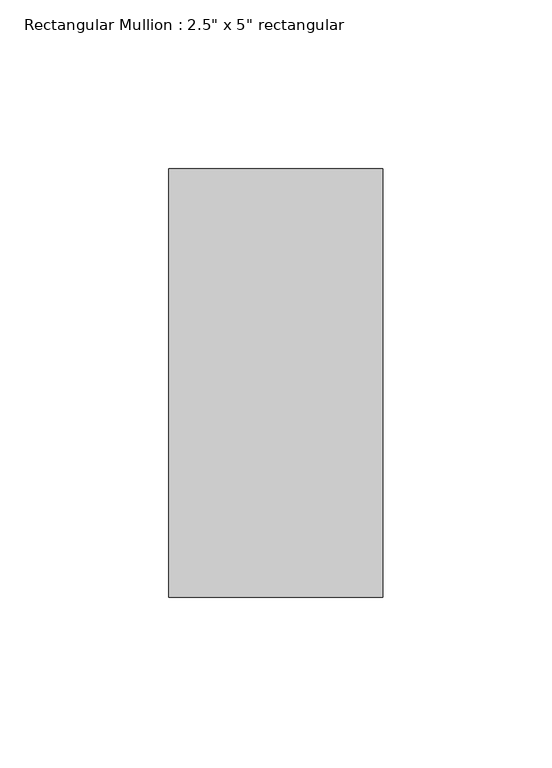
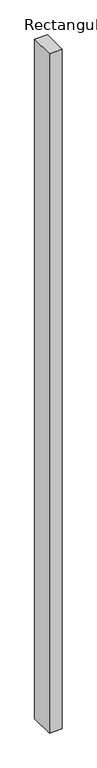
"""IFC4 building model written with IfcOpenShell, lengths in millimetres: member geometry."""

from ifc_helpers import new_model, si_unit, frame, origin, place, context, project, spatial, polyline, outline, extrude, source, transform, mapped, element, save


def member_8790fa9a(model_context):
    return source(origin(), model_context, "Body", "SweptSolid", [
        extrude(outline(polyline([(0.0, 63.5), (0.0, -63.5), (-63.5, -63.5), (-63.5, 63.5), (0.0, 63.5)])), frame((0.0, 0.0, -3601.3262089), z_axis=(0.0, 0.0, 1.0), x_axis=(1.0, 0.0, 0.0)), (0.0, 0.0, 1.0), 3601.3262089),
    ])


if __name__ == "__main__":
    model = new_model("IFC4")
    model_context = context("Model", 3, world=origin())
    ifc_project = project(units=[si_unit("LENGTHUNIT", "METRE", prefix="MILLI")], contexts=[model_context])
    site = spatial("IfcSite", under=ifc_project)
    building = spatial("IfcBuilding", under=site)
    placement = place(None, origin())
    member_shape = member_8790fa9a(model_context)
    element("IfcMember", 1, ObjectType="Rectangular Mullion : 2.5\" x 5\" rectangular", at=placement, inside=building, context=model_context, shape_type="MappedRepresentation", body=[
        mapped(member_shape, transform((0.0, 0.0, 0.0), x_axis=(1.0, 0.0, 0.0), y_axis=(0.0, 1.0, 0.0), z_axis=(0.0, 0.0, 1.0))),
    ])
    save(model, "model.ifc")
